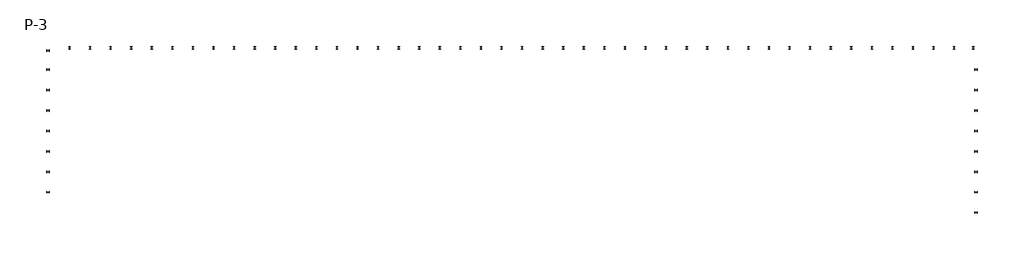
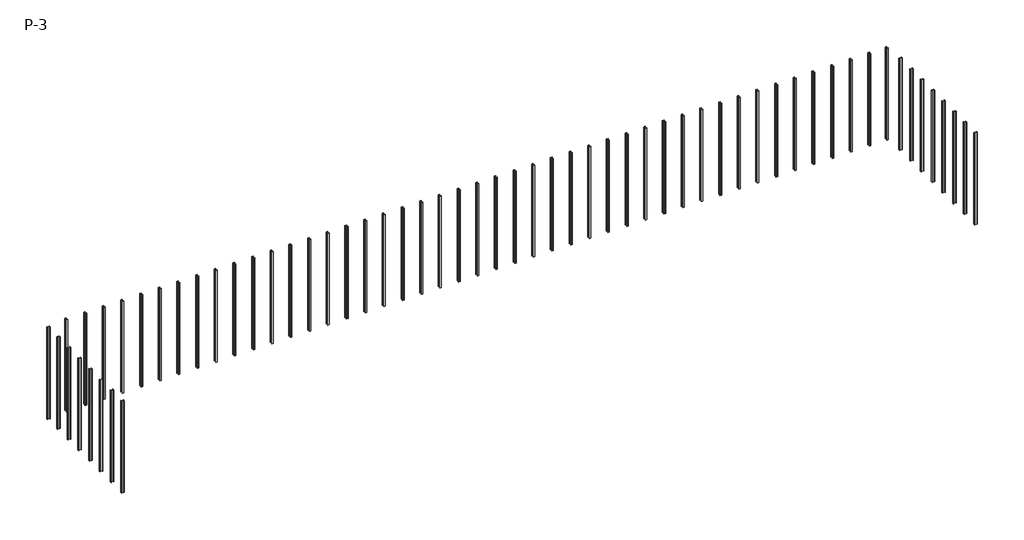
# One storey: 61 columns.
"""IFC4 building model written with IfcOpenShell, lengths in millimetres."""

import ifcopenshell
import ifcopenshell.guid

model = None  # the IFC model being written
_history = None  # IfcOwnerHistory: only IFC2X3 demands one
_inside = {}  # id of a spatial element -> (the spatial element, [elements in it])
_under = {}  # id of a project, library or spatial element -> (it, [spatial elements below it])
_declared = {}  # id of a project -> (the project, [libraries it declares])
_typed = {}  # id of a type object -> (the type object, [elements of that type])
_made_of = {}  # id of a material, layer set ... -> (it, [elements and type objects made of it])


def new_model(schema):
    """Start an empty IFC model of exactly this schema.

    Asked for "IFC4X3", IfcOpenShell would pick the latest addendum, in which some entities
    have other attributes; the version numbers below select the first issue.
    IFC2X3 requires an IfcOwnerHistory on every rooted entity: one is made here for all.
    """
    global model, _history
    if schema == "IFC4X3":
        model = ifcopenshell.file(schema_version=(4, 3, 0, 0))
    else:
        model = ifcopenshell.file(schema=schema)
    _inside.clear()
    _under.clear()
    _declared.clear()
    _typed.clear()
    _made_of.clear()
    _history = None
    if model.schema == "IFC2X3":
        org = make("IfcOrganization", Name="unknown")
        user = make(
            "IfcPersonAndOrganization",
            ThePerson=make("IfcPerson", FamilyName="unknown"),
            TheOrganization=org,
        )
        app = make(
            "IfcApplication",
            ApplicationDeveloper=org,
            Version="unknown",
            ApplicationFullName="unknown",
            ApplicationIdentifier="unknown",
        )
        _history = make(
            "IfcOwnerHistory",
            OwningUser=user,
            OwningApplication=app,
            ChangeAction="ADDED",
            CreationDate=0,
        )
    return model


def make(cls, **values):
    """One entity of the class cls with the attributes given. An attribute that is None is left unset."""
    return model.create_entity(
        cls, **{name: value for name, value in values.items() if value is not None}
    )


def rooted(cls, **values):
    """An entity with a GlobalId (a new one), such as an element, a storey or a relation."""
    return make(cls, GlobalId=ifcopenshell.guid.new(), OwnerHistory=_history, **values)


def si_unit(unit_type, name, prefix=None):
    """IfcSIUnit, for example si_unit("LENGTHUNIT", "METRE", prefix="MILLI")."""
    return make("IfcSIUnit", UnitType=unit_type, Prefix=prefix, Name=name)


def assignment(units):
    """IfcUnitAssignment: the units of a project."""
    return None if units is None else make("IfcUnitAssignment", Units=units)


def point(xyz):
    """IfcCartesianPoint."""
    return None if xyz is None else make("IfcCartesianPoint", Coordinates=xyz)


def direction(xyz):
    """IfcDirection."""
    return None if xyz is None else make("IfcDirection", DirectionRatios=xyz)


def frame(location, z_axis=None, x_axis=None):
    """IfcAxis2Placement3D, a coordinate frame: its origin and axes. An axis left out is left unset."""
    return make(
        "IfcAxis2Placement3D",
        Location=point(location),
        Axis=direction(z_axis),
        RefDirection=direction(x_axis),
    )


def frame_2d(location, x_axis=None):
    """IfcAxis2Placement2D, a coordinate frame in the plane: its origin and x axis."""
    return make(
        "IfcAxis2Placement2D", Location=point(location), RefDirection=direction(x_axis)
    )


def origin():
    """The frame at (0, 0, 0) with its axes left unset."""
    return frame((0.0, 0.0, 0.0))


def place(relative_to, where):
    """IfcLocalPlacement: puts the frame where relative to a parent placement (None: the world)."""
    return make(
        "IfcLocalPlacement", PlacementRelTo=relative_to, RelativePlacement=where
    )


def context(
    kind, dimensions, precision=None, world=None, true_north=None, identifier=None
):
    """IfcGeometricRepresentationContext, for example the 3D "Model" context."""
    return make(
        "IfcGeometricRepresentationContext",
        ContextIdentifier=identifier,
        ContextType=kind,
        CoordinateSpaceDimension=dimensions,
        Precision=precision,
        WorldCoordinateSystem=world,
        TrueNorth=true_north,
    )


def project(units=None, contexts=None):
    """IfcProject with its units and contexts."""
    return rooted(
        "IfcProject",
        Name="project",
        RepresentationContexts=contexts,
        UnitsInContext=assignment(units),
    )


def spatial(cls, under=None, at=None, **own):
    """A site, building, storey or space (cls), placed at a placement, below another one or the project."""
    s = rooted(cls, ObjectPlacement=at, **own)
    if under is not None:
        _under.setdefault(under.id(), (under, []))[1].append(s)
    return s


def polyline(points):
    """IfcPolyline through the points."""
    return make("IfcPolyline", Points=[point(p) for p in points])


def circle_curve(where, radius):
    """IfcCircle in the frame where."""
    return make("IfcCircle", Position=where, Radius=radius)


def trimmed(basis, trim1, trim2, sense, master):
    """IfcTrimmedCurve: the piece of a basis curve between two trims."""
    return make(
        "IfcTrimmedCurve",
        BasisCurve=basis,
        Trim1=trim1,
        Trim2=trim2,
        SenseAgreement=sense,
        MasterRepresentation=master,
    )


def segment(curve, same_sense, transition):
    """IfcCompositeCurveSegment."""
    return make(
        "IfcCompositeCurveSegment",
        Transition=transition,
        SameSense=same_sense,
        ParentCurve=curve,
    )


def composite_curve(segments, self_intersect=None):
    """IfcCompositeCurve: segments joined end to end."""
    return make("IfcCompositeCurve", Segments=segments, SelfIntersect=self_intersect)


def outline(outer, holes=None, kind="AREA"):
    """IfcArbitraryClosedProfileDef: a profile drawn as a closed curve; with holes, ...WithVoids."""
    if holes is None:
        return make("IfcArbitraryClosedProfileDef", ProfileType=kind, OuterCurve=outer)
    return make(
        "IfcArbitraryProfileDefWithVoids",
        ProfileType=kind,
        OuterCurve=outer,
        InnerCurves=holes,
    )


def extrude(swept, where, along, depth):
    """IfcExtrudedAreaSolid: the profile swept, set in the frame where, extruded along a direction by depth."""
    return make(
        "IfcExtrudedAreaSolid",
        SweptArea=swept,
        Position=where,
        ExtrudedDirection=direction(along),
        Depth=depth,
    )


def shape(context_of_items, identifier, shape_type, items):
    """IfcShapeRepresentation: the items that make up one representation, for example the "Body"."""
    return make(
        "IfcShapeRepresentation",
        ContextOfItems=context_of_items,
        RepresentationIdentifier=identifier,
        RepresentationType=shape_type,
        Items=items,
    )


def source(mapping_origin, context_of_items, identifier, shape_type, items):
    """IfcRepresentationMap: a shape defined once, which mapped items show again and again."""
    return make(
        "IfcRepresentationMap",
        MappingOrigin=mapping_origin,
        MappedRepresentation=shape(context_of_items, identifier, shape_type, items),
    )


def transform(
    local_origin,
    x_axis=None,
    y_axis=None,
    z_axis=None,
    scale=None,
    scale2=None,
    scale3=None,
    uniform=True,
):
    """IfcCartesianTransformationOperator3D, or its non-uniform kind. x_axis, y_axis, z_axis: its Axis1, 2, 3."""
    if uniform:
        return make(
            "IfcCartesianTransformationOperator3D",
            Axis1=direction(x_axis),
            Axis2=direction(y_axis),
            LocalOrigin=point(local_origin),
            Scale=scale,
            Axis3=direction(z_axis),
        )
    return make(
        "IfcCartesianTransformationOperator3DnonUniform",
        Axis1=direction(x_axis),
        Axis2=direction(y_axis),
        LocalOrigin=point(local_origin),
        Scale=scale,
        Axis3=direction(z_axis),
        Scale2=scale2,
        Scale3=scale3,
    )


def mapped(mapping_source, mapping_target):
    """IfcMappedItem: shows the shape of a source again, moved by a transform."""
    return make(
        "IfcMappedItem", MappingSource=mapping_source, MappingTarget=mapping_target
    )


def made_of(thing, what):
    """Note that an element or type object is made of a material, layer set ...; save() writes the relation."""
    if what is not None:
        _made_of.setdefault(what.id(), (what, []))[1].append(thing)
    return thing


def element(
    cls,
    number,
    at=None,
    inside=None,
    cuts=None,
    type_object=None,
    material=None,
    context=None,
    identifier="Body",
    shape_type=None,
    held_by="IfcProductDefinitionShape",
    body=None,
    shapes=None,
    **own,
):
    """One element of the class cls, such as IfcWall. Its Tag is "e" and its number.

    at: its placement. inside: the storey or other place that contains it. cuts: it is an
    opening in that element (IfcRelVoidsElement). A single representation is given by context,
    identifier, shape_type and body (its items); several are given by shapes. held_by: the class
    of the entity that holds the representations. save() writes the other relations.
    """
    e = rooted(cls, Tag="e%d" % number, ObjectPlacement=at, **own)
    if body is not None:
        shapes = [shape(context, identifier, shape_type, body)]
    if shapes is not None:
        e.Representation = make(held_by, Representations=shapes)
    if inside is not None:
        _inside.setdefault(inside.id(), (inside, []))[1].append(e)
    if cuts is not None:
        rooted(
            "IfcRelVoidsElement", RelatingBuildingElement=cuts, RelatedOpeningElement=e
        )
    if type_object is not None:
        _typed.setdefault(type_object.id(), (type_object, []))[1].append(e)
    return made_of(e, material)


def aggregate(whole, parts):
    """IfcRelAggregates: a whole, such as a stair, and the parts it consists of."""
    return rooted("IfcRelAggregates", RelatingObject=whole, RelatedObjects=parts)


def save(model, path):
    """Write the relations noted so far, then the file.

    IfcRelAggregates (storeys below a building ...), IfcRelContainedInSpatialStructure (elements
    in a storey), IfcRelDefinesByType, IfcRelAssociatesMaterial and IfcRelDeclares: one each for
    every whole, place, type object, material and project.
    """
    for whole, parts in _under.values():
        aggregate(whole, parts)
    for where, things in _inside.values():
        rooted(
            "IfcRelContainedInSpatialStructure",
            RelatedElements=things,
            RelatingStructure=where,
        )
    for kind, things in _typed.values():
        rooted("IfcRelDefinesByType", RelatedObjects=things, RelatingType=kind)
    for what, things in _made_of.values():
        rooted("IfcRelAssociatesMaterial", RelatedObjects=things, RelatingMaterial=what)
    for by, libraries in _declared.values():
        rooted("IfcRelDeclares", RelatingContext=by, RelatedDefinitions=libraries)
    model.write(path)


def w_wide_flange_column_w14x43_266e5768(model_context):
    return source(origin(), model_context, "Body", "SweptSolid", [
        extrude(outline(composite_curve([segment(polyline([(101.5503906, 173.4839844), (101.5503906, 159.9902344), (25.3007812, 159.9902344)]), True, "CONTINUOUS"), segment(trimmed(circle_curve(frame_2d((25.3007812, 138.5589844)), 21.43125), [point((25.3007812, 159.9902344))], [point((3.8695312, 138.5589844))], True, "CARTESIAN"), True, "CONTINUOUS"), segment(polyline([(3.8695312, 138.5589844), (3.8695312, -138.5589844)]), True, "CONTINUOUS"), segment(trimmed(circle_curve(frame_2d((25.3007812, -138.5589844)), 21.43125), [point((3.8695312, -138.5589844))], [point((25.3007812, -159.9902344))], True, "CARTESIAN"), True, "CONTINUOUS"), segment(polyline([(25.3007812, -159.9902344), (101.5503906, -159.9902344), (101.5503906, -173.4839844), (-101.5503906, -173.4839844), (-101.5503906, -159.9902344), (-25.3007813, -159.9902344)]), True, "CONTINUOUS"), segment(trimmed(circle_curve(frame_2d((-25.3007813, -138.5589844)), 21.43125), [point((-25.3007813, -159.9902344))], [point((-3.8695313, -138.5589844))], True, "CARTESIAN"), True, "CONTINUOUS"), segment(polyline([(-3.8695313, -138.5589844), (-3.8695313, 138.5589844)]), True, "CONTINUOUS"), segment(trimmed(circle_curve(frame_2d((-25.3007813, 138.5589844)), 21.43125), [point((-3.8695313, 138.5589844))], [point((-25.3007813, 159.9902344))], True, "CARTESIAN"), True, "CONTINUOUS"), segment(polyline([(-25.3007813, 159.9902344), (-101.5503906, 159.9902344), (-101.5503906, 173.4839844), (101.5503906, 173.4839844)]), True, "CONTINUOUS")], self_intersect=False)), frame((0.0, 0.0, 73380.6), z_axis=(0.0, 0.0, 1.0), x_axis=(1.0, 0.0, 0.0)), (0.0, 0.0, 1.0), 12877.8),
    ])


model = new_model("IFC4")

# Units and contexts
model_context = context("Model", 3, world=origin())
ifc_project = project(units=[si_unit("LENGTHUNIT", "METRE", prefix="MILLI")], contexts=[model_context])

# Site, building, storey
site = spatial("IfcSite", under=ifc_project)
building = spatial("IfcBuilding", under=site)
storey = spatial("IfcBuildingStorey", under=building, Name="P-3", Elevation=76428.6)

# Columns
placement = place(None, origin())
w_wide_flange_column_w14x43_shape = w_wide_flange_column_w14x43_266e5768(model_context)
element("IfcColumn", 1, ObjectType="W-Wide Flange-Column : W14X43", at=placement, inside=storey, context=model_context, shape_type="MappedRepresentation", body=[
    mapped(w_wide_flange_column_w14x43_shape, transform((42732.560589, -16194.5912101, 0.0), x_axis=(1.0, 0.0, 0.0), y_axis=(0.0, 1.0, 0.0), z_axis=(0.0, 0.0, 1.0))),
])
element("IfcColumn", 2, ObjectType="W-Wide Flange-Column : W14X43", at=placement, inside=storey, context=model_context, shape_type="MappedRepresentation", body=[
    mapped(w_wide_flange_column_w14x43_shape, transform((40435.9486906, -16194.5931945, 0.0), x_axis=(1.0, 0.0, 0.0), y_axis=(0.0, 1.0, 0.0), z_axis=(0.0, 0.0, 1.0))),
])
element("IfcColumn", 3, ObjectType="W-Wide Flange-Column : W14X43", at=placement, inside=storey, context=model_context, shape_type="MappedRepresentation", body=[
    mapped(w_wide_flange_column_w14x43_shape, transform((37959.4486906, -16194.5931945, 0.0), x_axis=(1.0, 0.0, 0.0), y_axis=(0.0, 1.0, 0.0), z_axis=(0.0, 0.0, 1.0))),
])
element("IfcColumn", 4, ObjectType="W-Wide Flange-Column : W14X43", at=placement, inside=storey, context=model_context, shape_type="MappedRepresentation", body=[
    mapped(w_wide_flange_column_w14x43_shape, transform((35482.9486906, -16194.5931945, 0.0), x_axis=(1.0, 0.0, 0.0), y_axis=(0.0, 1.0, 0.0), z_axis=(0.0, 0.0, 1.0))),
])
element("IfcColumn", 5, ObjectType="W-Wide Flange-Column : W14X43", at=placement, inside=storey, context=model_context, shape_type="MappedRepresentation", body=[
    mapped(w_wide_flange_column_w14x43_shape, transform((33006.4486906, -16194.5931945, 0.0), x_axis=(1.0, 0.0, 0.0), y_axis=(0.0, 1.0, 0.0), z_axis=(0.0, 0.0, 1.0))),
])
element("IfcColumn", 6, ObjectType="W-Wide Flange-Column : W14X43", at=placement, inside=storey, context=model_context, shape_type="MappedRepresentation", body=[
    mapped(w_wide_flange_column_w14x43_shape, transform((30529.9486906, -16194.5931945, 0.0), x_axis=(1.0, 0.0, 0.0), y_axis=(0.0, 1.0, 0.0), z_axis=(0.0, 0.0, 1.0))),
])
element("IfcColumn", 7, ObjectType="W-Wide Flange-Column : W14X43", at=placement, inside=storey, context=model_context, shape_type="MappedRepresentation", body=[
    mapped(w_wide_flange_column_w14x43_shape, transform((28053.4486906, -16194.5931945, 0.0), x_axis=(1.0, 0.0, 0.0), y_axis=(0.0, 1.0, 0.0), z_axis=(0.0, 0.0, 1.0))),
])
element("IfcColumn", 8, ObjectType="W-Wide Flange-Column : W14X43", at=placement, inside=storey, context=model_context, shape_type="MappedRepresentation", body=[
    mapped(w_wide_flange_column_w14x43_shape, transform((25576.9486906, -16194.5931945, 0.0), x_axis=(1.0, 0.0, 0.0), y_axis=(0.0, 1.0, 0.0), z_axis=(0.0, 0.0, 1.0))),
])
element("IfcColumn", 9, ObjectType="W-Wide Flange-Column : W14X43", at=placement, inside=storey, context=model_context, shape_type="MappedRepresentation", body=[
    mapped(w_wide_flange_column_w14x43_shape, transform((23100.4486906, -16194.5931945, 0.0), x_axis=(1.0, 0.0, 0.0), y_axis=(0.0, 1.0, 0.0), z_axis=(0.0, 0.0, 1.0))),
])
element("IfcColumn", 10, ObjectType="W-Wide Flange-Column : W14X43", at=placement, inside=storey, context=model_context, shape_type="MappedRepresentation", body=[
    mapped(w_wide_flange_column_w14x43_shape, transform((20623.9486906, -16194.5931945, 0.0), x_axis=(1.0, 0.0, 0.0), y_axis=(0.0, 1.0, 0.0), z_axis=(0.0, 0.0, 1.0))),
])
element("IfcColumn", 11, ObjectType="W-Wide Flange-Column : W14X43", at=placement, inside=storey, context=model_context, shape_type="MappedRepresentation", body=[
    mapped(w_wide_flange_column_w14x43_shape, transform((18147.4486906, -16194.5931945, 0.0), x_axis=(1.0, 0.0, 0.0), y_axis=(0.0, 1.0, 0.0), z_axis=(0.0, 0.0, 1.0))),
])
element("IfcColumn", 12, ObjectType="W-Wide Flange-Column : W14X43", at=placement, inside=storey, context=model_context, shape_type="MappedRepresentation", body=[
    mapped(w_wide_flange_column_w14x43_shape, transform((15670.9486906, -16194.5931945, 0.0), x_axis=(1.0, 0.0, 0.0), y_axis=(0.0, 1.0, 0.0), z_axis=(0.0, 0.0, 1.0))),
])
element("IfcColumn", 13, ObjectType="W-Wide Flange-Column : W14X43", at=placement, inside=storey, context=model_context, shape_type="MappedRepresentation", body=[
    mapped(w_wide_flange_column_w14x43_shape, transform((13194.4486906, -16194.5931945, 0.0), x_axis=(1.0, 0.0, 0.0), y_axis=(0.0, 1.0, 0.0), z_axis=(0.0, 0.0, 1.0))),
])
element("IfcColumn", 14, ObjectType="W-Wide Flange-Column : W14X43", at=placement, inside=storey, context=model_context, shape_type="MappedRepresentation", body=[
    mapped(w_wide_flange_column_w14x43_shape, transform((10717.9486906, -16194.5931945, 0.0), x_axis=(1.0, 0.0, 0.0), y_axis=(0.0, 1.0, 0.0), z_axis=(0.0, 0.0, 1.0))),
])
element("IfcColumn", 15, ObjectType="W-Wide Flange-Column : W14X43", at=placement, inside=storey, context=model_context, shape_type="MappedRepresentation", body=[
    mapped(w_wide_flange_column_w14x43_shape, transform((8241.4486906, -16194.5931945, 0.0), x_axis=(1.0, 0.0, 0.0), y_axis=(0.0, 1.0, 0.0), z_axis=(0.0, 0.0, 1.0))),
])
element("IfcColumn", 16, ObjectType="W-Wide Flange-Column : W14X43", at=placement, inside=storey, context=model_context, shape_type="MappedRepresentation", body=[
    mapped(w_wide_flange_column_w14x43_shape, transform((5764.9486906, -16194.5931945, 0.0), x_axis=(1.0, 0.0, 0.0), y_axis=(0.0, 1.0, 0.0), z_axis=(0.0, 0.0, 1.0))),
])
element("IfcColumn", 17, ObjectType="W-Wide Flange-Column : W14X43", at=placement, inside=storey, context=model_context, shape_type="MappedRepresentation", body=[
    mapped(w_wide_flange_column_w14x43_shape, transform((3288.4486906, -16194.5931945, 0.0), x_axis=(1.0, 0.0, 0.0), y_axis=(0.0, 1.0, 0.0), z_axis=(0.0, 0.0, 1.0))),
])
element("IfcColumn", 18, ObjectType="W-Wide Flange-Column : W14X43", at=placement, inside=storey, context=model_context, shape_type="MappedRepresentation", body=[
    mapped(w_wide_flange_column_w14x43_shape, transform((811.9486906, -16194.5931945, 0.0), x_axis=(1.0, 0.0, 0.0), y_axis=(0.0, 1.0, 0.0), z_axis=(0.0, 0.0, 1.0))),
])
element("IfcColumn", 19, ObjectType="W-Wide Flange-Column : W14X43", at=placement, inside=storey, context=model_context, shape_type="MappedRepresentation", body=[
    mapped(w_wide_flange_column_w14x43_shape, transform((-1664.5513094, -16194.5931945, 0.0), x_axis=(1.0, 0.0, 0.0), y_axis=(0.0, 1.0, 0.0), z_axis=(0.0, 0.0, 1.0))),
])
element("IfcColumn", 20, ObjectType="W-Wide Flange-Column : W14X43", at=placement, inside=storey, context=model_context, shape_type="MappedRepresentation", body=[
    mapped(w_wide_flange_column_w14x43_shape, transform((-4141.0513094, -16194.5931945, 0.0), x_axis=(1.0, 0.0, 0.0), y_axis=(0.0, 1.0, 0.0), z_axis=(0.0, 0.0, 1.0))),
])
element("IfcColumn", 21, ObjectType="W-Wide Flange-Column : W14X43", at=placement, inside=storey, context=model_context, shape_type="MappedRepresentation", body=[
    mapped(w_wide_flange_column_w14x43_shape, transform((-6617.5513094, -16194.5931945, 0.0), x_axis=(1.0, 0.0, 0.0), y_axis=(0.0, 1.0, 0.0), z_axis=(0.0, 0.0, 1.0))),
])
element("IfcColumn", 22, ObjectType="W-Wide Flange-Column : W14X43", at=placement, inside=storey, context=model_context, shape_type="MappedRepresentation", body=[
    mapped(w_wide_flange_column_w14x43_shape, transform((-9094.0513094, -16194.5931945, 0.0), x_axis=(1.0, 0.0, 0.0), y_axis=(0.0, 1.0, 0.0), z_axis=(0.0, 0.0, 1.0))),
])
element("IfcColumn", 23, ObjectType="W-Wide Flange-Column : W14X43", at=placement, inside=storey, context=model_context, shape_type="MappedRepresentation", body=[
    mapped(w_wide_flange_column_w14x43_shape, transform((-11570.5513094, -16194.5931945, 0.0), x_axis=(1.0, 0.0, 0.0), y_axis=(0.0, 1.0, 0.0), z_axis=(0.0, 0.0, 1.0))),
])
element("IfcColumn", 24, ObjectType="W-Wide Flange-Column : W14X43", at=placement, inside=storey, context=model_context, shape_type="MappedRepresentation", body=[
    mapped(w_wide_flange_column_w14x43_shape, transform((-14047.0513094, -16194.5931945, 0.0), x_axis=(1.0, 0.0, 0.0), y_axis=(0.0, 1.0, 0.0), z_axis=(0.0, 0.0, 1.0))),
])
element("IfcColumn", 25, ObjectType="W-Wide Flange-Column : W14X43", at=placement, inside=storey, context=model_context, shape_type="MappedRepresentation", body=[
    mapped(w_wide_flange_column_w14x43_shape, transform((-16523.5513094, -16194.5931945, 0.0), x_axis=(1.0, 0.0, 0.0), y_axis=(0.0, 1.0, 0.0), z_axis=(0.0, 0.0, 1.0))),
])
element("IfcColumn", 26, ObjectType="W-Wide Flange-Column : W14X43", at=placement, inside=storey, context=model_context, shape_type="MappedRepresentation", body=[
    mapped(w_wide_flange_column_w14x43_shape, transform((-19000.0513094, -16194.5931945, 0.0), x_axis=(1.0, 0.0, 0.0), y_axis=(0.0, 1.0, 0.0), z_axis=(0.0, 0.0, 1.0))),
])
element("IfcColumn", 27, ObjectType="W-Wide Flange-Column : W14X43", at=placement, inside=storey, context=model_context, shape_type="MappedRepresentation", body=[
    mapped(w_wide_flange_column_w14x43_shape, transform((-21476.5513094, -16194.5931945, 0.0), x_axis=(1.0, 0.0, 0.0), y_axis=(0.0, 1.0, 0.0), z_axis=(0.0, 0.0, 1.0))),
])
element("IfcColumn", 28, ObjectType="W-Wide Flange-Column : W14X43", at=placement, inside=storey, context=model_context, shape_type="MappedRepresentation", body=[
    mapped(w_wide_flange_column_w14x43_shape, transform((-23953.0513094, -16194.5931945, 0.0), x_axis=(1.0, 0.0, 0.0), y_axis=(0.0, 1.0, 0.0), z_axis=(0.0, 0.0, 1.0))),
])
element("IfcColumn", 29, ObjectType="W-Wide Flange-Column : W14X43", at=placement, inside=storey, context=model_context, shape_type="MappedRepresentation", body=[
    mapped(w_wide_flange_column_w14x43_shape, transform((-26429.5513094, -16194.5931945, 0.0), x_axis=(1.0, 0.0, 0.0), y_axis=(0.0, 1.0, 0.0), z_axis=(0.0, 0.0, 1.0))),
])
element("IfcColumn", 30, ObjectType="W-Wide Flange-Column : W14X43", at=placement, inside=storey, context=model_context, shape_type="MappedRepresentation", body=[
    mapped(w_wide_flange_column_w14x43_shape, transform((-28906.0513094, -16194.5931945, 0.0), x_axis=(1.0, 0.0, 0.0), y_axis=(0.0, 1.0, 0.0), z_axis=(0.0, 0.0, 1.0))),
])
element("IfcColumn", 31, ObjectType="W-Wide Flange-Column : W14X43", at=placement, inside=storey, context=model_context, shape_type="MappedRepresentation", body=[
    mapped(w_wide_flange_column_w14x43_shape, transform((-31382.5513094, -16194.5931945, 0.0), x_axis=(1.0, 0.0, 0.0), y_axis=(0.0, 1.0, 0.0), z_axis=(0.0, 0.0, 1.0))),
])
element("IfcColumn", 32, ObjectType="W-Wide Flange-Column : W14X43", at=placement, inside=storey, context=model_context, shape_type="MappedRepresentation", body=[
    mapped(w_wide_flange_column_w14x43_shape, transform((-33859.0513094, -16194.5931945, 0.0), x_axis=(1.0, 0.0, 0.0), y_axis=(0.0, 1.0, 0.0), z_axis=(0.0, 0.0, 1.0))),
])
element("IfcColumn", 33, ObjectType="W-Wide Flange-Column : W14X43", at=placement, inside=storey, context=model_context, shape_type="MappedRepresentation", body=[
    mapped(w_wide_flange_column_w14x43_shape, transform((-36335.5513094, -16194.5931945, 0.0), x_axis=(1.0, 0.0, 0.0), y_axis=(0.0, 1.0, 0.0), z_axis=(0.0, 0.0, 1.0))),
])
element("IfcColumn", 34, ObjectType="W-Wide Flange-Column : W14X43", at=placement, inside=storey, context=model_context, shape_type="MappedRepresentation", body=[
    mapped(w_wide_flange_column_w14x43_shape, transform((-38812.0513094, -16194.5931945, 0.0), x_axis=(1.0, 0.0, 0.0), y_axis=(0.0, 1.0, 0.0), z_axis=(0.0, 0.0, 1.0))),
])
element("IfcColumn", 35, ObjectType="W-Wide Flange-Column : W14X43", at=placement, inside=storey, context=model_context, shape_type="MappedRepresentation", body=[
    mapped(w_wide_flange_column_w14x43_shape, transform((-41288.5513094, -16194.5931945, 0.0), x_axis=(1.0, 0.0, 0.0), y_axis=(0.0, 1.0, 0.0), z_axis=(0.0, 0.0, 1.0))),
])
element("IfcColumn", 36, ObjectType="W-Wide Flange-Column : W14X43", at=placement, inside=storey, context=model_context, shape_type="MappedRepresentation", body=[
    mapped(w_wide_flange_column_w14x43_shape, transform((-43765.0513094, -16194.5931945, 0.0), x_axis=(1.0, 0.0, 0.0), y_axis=(0.0, 1.0, 0.0), z_axis=(0.0, 0.0, 1.0))),
])
element("IfcColumn", 37, ObjectType="W-Wide Flange-Column : W14X43", at=placement, inside=storey, context=model_context, shape_type="MappedRepresentation", body=[
    mapped(w_wide_flange_column_w14x43_shape, transform((-46241.5513094, -16194.5931945, 0.0), x_axis=(1.0, 0.0, 0.0), y_axis=(0.0, 1.0, 0.0), z_axis=(0.0, 0.0, 1.0))),
])
element("IfcColumn", 38, ObjectType="W-Wide Flange-Column : W14X43", at=placement, inside=storey, context=model_context, shape_type="MappedRepresentation", body=[
    mapped(w_wide_flange_column_w14x43_shape, transform((-48718.0513094, -16194.5931945, 0.0), x_axis=(1.0, 0.0, 0.0), y_axis=(0.0, 1.0, 0.0), z_axis=(0.0, 0.0, 1.0))),
])
element("IfcColumn", 39, ObjectType="W-Wide Flange-Column : W14X43", at=placement, inside=storey, context=model_context, shape_type="MappedRepresentation", body=[
    mapped(w_wide_flange_column_w14x43_shape, transform((-51194.5513094, -16194.5931945, 0.0), x_axis=(1.0, 0.0, 0.0), y_axis=(0.0, 1.0, 0.0), z_axis=(0.0, 0.0, 1.0))),
])
element("IfcColumn", 40, ObjectType="W-Wide Flange-Column : W14X43", at=placement, inside=storey, context=model_context, shape_type="MappedRepresentation", body=[
    mapped(w_wide_flange_column_w14x43_shape, transform((-53671.0513094, -16194.5931945, 0.0), x_axis=(1.0, 0.0, 0.0), y_axis=(0.0, 1.0, 0.0), z_axis=(0.0, 0.0, 1.0))),
])
element("IfcColumn", 41, ObjectType="W-Wide Flange-Column : W14X43", at=placement, inside=storey, context=model_context, shape_type="MappedRepresentation", body=[
    mapped(w_wide_flange_column_w14x43_shape, transform((-56147.5513094, -16194.5931945, 0.0), x_axis=(1.0, 0.0, 0.0), y_axis=(0.0, 1.0, 0.0), z_axis=(0.0, 0.0, 1.0))),
])
element("IfcColumn", 42, ObjectType="W-Wide Flange-Column : W14X43", at=placement, inside=storey, context=model_context, shape_type="MappedRepresentation", body=[
    mapped(w_wide_flange_column_w14x43_shape, transform((-58624.0513094, -16194.5931945, 0.0), x_axis=(1.0, 0.0, 0.0), y_axis=(0.0, 1.0, 0.0), z_axis=(0.0, 0.0, 1.0))),
])
element("IfcColumn", 43, ObjectType="W-Wide Flange-Column : W14X43", at=placement, inside=storey, context=model_context, shape_type="MappedRepresentation", body=[
    mapped(w_wide_flange_column_w14x43_shape, transform((-61100.5513094, -16194.5931945, 0.0), x_axis=(1.0, 0.0, 0.0), y_axis=(0.0, 1.0, 0.0), z_axis=(0.0, 0.0, 1.0))),
])
element("IfcColumn", 44, ObjectType="W-Wide Flange-Column : W14X43", at=placement, inside=storey, context=model_context, shape_type="MappedRepresentation", body=[
    mapped(w_wide_flange_column_w14x43_shape, transform((-63577.0513094, -16194.5931945, 0.0), x_axis=(1.0, 0.0, 0.0), y_axis=(0.0, 1.0, 0.0), z_axis=(0.0, 0.0, 1.0))),
])
element("IfcColumn", 45, ObjectType="W-Wide Flange-Column : W14X43", at=placement, inside=storey, context=model_context, shape_type="MappedRepresentation", body=[
    mapped(w_wide_flange_column_w14x43_shape, transform((-66053.5513094, -16194.5931945, 0.0), x_axis=(1.0, 0.0, 0.0), y_axis=(0.0, 1.0, 0.0), z_axis=(0.0, 0.0, 1.0))),
])
element("IfcColumn", 46, ObjectType="W-Wide Flange-Column : W14X43", at=placement, inside=storey, context=model_context, shape_type="MappedRepresentation", body=[
    mapped(w_wide_flange_column_w14x43_shape, transform((-68643.766373, -16531.6427682, 0.0), x_axis=(0.0, -1.0, 0.0), y_axis=(1.0, 0.0, 0.0), z_axis=(0.0, 0.0, 1.0))),
])
element("IfcColumn", 47, ObjectType="W-Wide Flange-Column : W14X43", at=placement, inside=storey, context=model_context, shape_type="MappedRepresentation", body=[
    mapped(w_wide_flange_column_w14x43_shape, transform((-68643.7624042, -18824.0305983, 0.0), x_axis=(0.0, -1.0, 0.0), y_axis=(1.0, 0.0, 0.0), z_axis=(0.0, 0.0, 1.0))),
])
element("IfcColumn", 48, ObjectType="W-Wide Flange-Column : W14X43", at=placement, inside=storey, context=model_context, shape_type="MappedRepresentation", body=[
    mapped(w_wide_flange_column_w14x43_shape, transform((-68643.7624042, -21287.8305983, 0.0), x_axis=(0.0, -1.0, 0.0), y_axis=(1.0, 0.0, 0.0), z_axis=(0.0, 0.0, 1.0))),
])
element("IfcColumn", 49, ObjectType="W-Wide Flange-Column : W14X43", at=placement, inside=storey, context=model_context, shape_type="MappedRepresentation", body=[
    mapped(w_wide_flange_column_w14x43_shape, transform((-68643.7624042, -23751.6305983, 0.0), x_axis=(0.0, -1.0, 0.0), y_axis=(1.0, 0.0, 0.0), z_axis=(0.0, 0.0, 1.0))),
])
element("IfcColumn", 50, ObjectType="W-Wide Flange-Column : W14X43", at=placement, inside=storey, context=model_context, shape_type="MappedRepresentation", body=[
    mapped(w_wide_flange_column_w14x43_shape, transform((-68643.7624042, -26215.4305983, 0.0), x_axis=(0.0, -1.0, 0.0), y_axis=(1.0, 0.0, 0.0), z_axis=(0.0, 0.0, 1.0))),
])
element("IfcColumn", 51, ObjectType="W-Wide Flange-Column : W14X43", at=placement, inside=storey, context=model_context, shape_type="MappedRepresentation", body=[
    mapped(w_wide_flange_column_w14x43_shape, transform((-68643.7624042, -28679.2305983, 0.0), x_axis=(0.0, -1.0, 0.0), y_axis=(1.0, 0.0, 0.0), z_axis=(0.0, 0.0, 1.0))),
])
element("IfcColumn", 52, ObjectType="W-Wide Flange-Column : W14X43", at=placement, inside=storey, context=model_context, shape_type="MappedRepresentation", body=[
    mapped(w_wide_flange_column_w14x43_shape, transform((-68643.7624042, -31143.0305983, 0.0), x_axis=(0.0, -1.0, 0.0), y_axis=(1.0, 0.0, 0.0), z_axis=(0.0, 0.0, 1.0))),
])
element("IfcColumn", 53, ObjectType="W-Wide Flange-Column : W14X43", at=placement, inside=storey, context=model_context, shape_type="MappedRepresentation", body=[
    mapped(w_wide_flange_column_w14x43_shape, transform((-68643.7624042, -33606.8305983, 0.0), x_axis=(0.0, -1.0, 0.0), y_axis=(1.0, 0.0, 0.0), z_axis=(0.0, 0.0, 1.0))),
])
element("IfcColumn", 54, ObjectType="W-Wide Flange-Column : W14X43", at=placement, inside=storey, context=model_context, shape_type="MappedRepresentation", body=[
    mapped(w_wide_flange_column_w14x43_shape, transform((43067.3250318, -36045.2305983, 0.0), x_axis=(0.0, -1.0, 0.0), y_axis=(1.0, 0.0, 0.0), z_axis=(0.0, 0.0, 1.0))),
])
element("IfcColumn", 55, ObjectType="W-Wide Flange-Column : W14X43", at=placement, inside=storey, context=model_context, shape_type="MappedRepresentation", body=[
    mapped(w_wide_flange_column_w14x43_shape, transform((43067.3250318, -33606.8305983, 0.0), x_axis=(0.0, -1.0, 0.0), y_axis=(1.0, 0.0, 0.0), z_axis=(0.0, 0.0, 1.0))),
])
element("IfcColumn", 56, ObjectType="W-Wide Flange-Column : W14X43", at=placement, inside=storey, context=model_context, shape_type="MappedRepresentation", body=[
    mapped(w_wide_flange_column_w14x43_shape, transform((43067.3250318, -31143.0305983, 0.0), x_axis=(0.0, -1.0, 0.0), y_axis=(1.0, 0.0, 0.0), z_axis=(0.0, 0.0, 1.0))),
])
element("IfcColumn", 57, ObjectType="W-Wide Flange-Column : W14X43", at=placement, inside=storey, context=model_context, shape_type="MappedRepresentation", body=[
    mapped(w_wide_flange_column_w14x43_shape, transform((43067.3250318, -28679.2305983, 0.0), x_axis=(0.0, -1.0, 0.0), y_axis=(1.0, 0.0, 0.0), z_axis=(0.0, 0.0, 1.0))),
])
element("IfcColumn", 58, ObjectType="W-Wide Flange-Column : W14X43", at=placement, inside=storey, context=model_context, shape_type="MappedRepresentation", body=[
    mapped(w_wide_flange_column_w14x43_shape, transform((43067.3250318, -26215.4305983, 0.0), x_axis=(0.0, -1.0, 0.0), y_axis=(1.0, 0.0, 0.0), z_axis=(0.0, 0.0, 1.0))),
])
element("IfcColumn", 59, ObjectType="W-Wide Flange-Column : W14X43", at=placement, inside=storey, context=model_context, shape_type="MappedRepresentation", body=[
    mapped(w_wide_flange_column_w14x43_shape, transform((43067.3250318, -23751.6305983, 0.0), x_axis=(0.0, -1.0, 0.0), y_axis=(1.0, 0.0, 0.0), z_axis=(0.0, 0.0, 1.0))),
])
element("IfcColumn", 60, ObjectType="W-Wide Flange-Column : W14X43", at=placement, inside=storey, context=model_context, shape_type="MappedRepresentation", body=[
    mapped(w_wide_flange_column_w14x43_shape, transform((43067.3250318, -21287.8305983, 0.0), x_axis=(0.0, -1.0, 0.0), y_axis=(1.0, 0.0, 0.0), z_axis=(0.0, 0.0, 1.0))),
])
element("IfcColumn", 61, ObjectType="W-Wide Flange-Column : W14X43", at=placement, inside=storey, context=model_context, shape_type="MappedRepresentation", body=[
    mapped(w_wide_flange_column_w14x43_shape, transform((43067.3250318, -18824.0305983, 0.0), x_axis=(0.0, -1.0, 0.0), y_axis=(1.0, 0.0, 0.0), z_axis=(0.0, 0.0, 1.0))),
])

save(model, "model.ifc")
